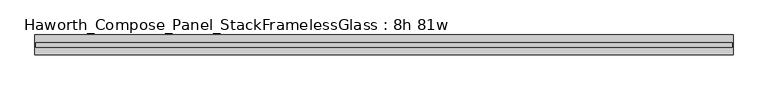
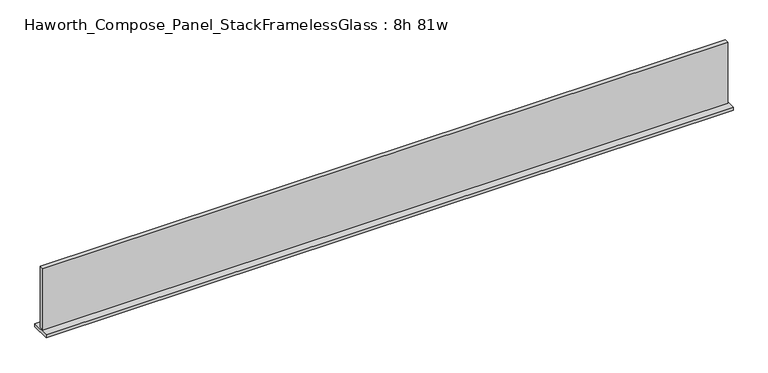
"""IFC4 building model written with IfcOpenShell, lengths in millimetres: furniture geometry, Haworth_Compose_Panel_StackFramelessGlass : 8h 81w."""

from ifc_helpers import new_model, si_unit, frame, origin, place, context, project, spatial, polyline, outline, extrude, source, transform, mapped, element, save


def haworth_compose_panel_stackframelessglass_8h_81w_8a16ce35(model_context):
    return source(origin(), model_context, "Body", "SweptSolid", [
        extrude(outline(polyline([(1027.9652902, -27.3093594), (-1023.0847098, -27.3093594), (-1023.0847098, -14.6093594), (1027.9652902, -14.6093594), (1027.9652902, -27.3093594)])), frame((0.0, 0.0, 1279.525), z_axis=(0.0, 0.0, 1.0), x_axis=(1.0, 0.0, 0.0)), (0.0, 0.0, 1.0), 193.675),
        extrude(outline(polyline([(-1026.2597098, -50.3281094), (-1026.2597098, 8.4093906), (1031.1402902, 8.4093906), (1031.1402902, -50.3281094), (-1026.2597098, -50.3281094)])), frame((0.0, 0.0, 1270.0), z_axis=(0.0, 0.0, 1.0), x_axis=(1.0, 0.0, 0.0)), (0.0, 0.0, 1.0), 9.525),
    ])


if __name__ == "__main__":
    model = new_model("IFC4")
    model_context = context("Model", 3, world=origin())
    ifc_project = project(units=[si_unit("LENGTHUNIT", "METRE", prefix="MILLI")], contexts=[model_context])
    site = spatial("IfcSite", under=ifc_project)
    building = spatial("IfcBuilding", under=site)
    placement = place(None, origin())
    haworth_compose_panel_stackframelessglass_8h_81w_shape = haworth_compose_panel_stackframelessglass_8h_81w_8a16ce35(model_context)
    element("IfcFurniture", 1, ObjectType="Haworth_Compose_Panel_StackFramelessGlass : 8h 81w", at=placement, inside=building, context=model_context, shape_type="MappedRepresentation", body=[
        mapped(haworth_compose_panel_stackframelessglass_8h_81w_shape, transform((0.0, 0.0, 0.0), x_axis=(1.0, 0.0, 0.0), y_axis=(0.0, 1.0, 0.0), z_axis=(0.0, 0.0, 1.0))),
    ])
    save(model, "model.ifc")
